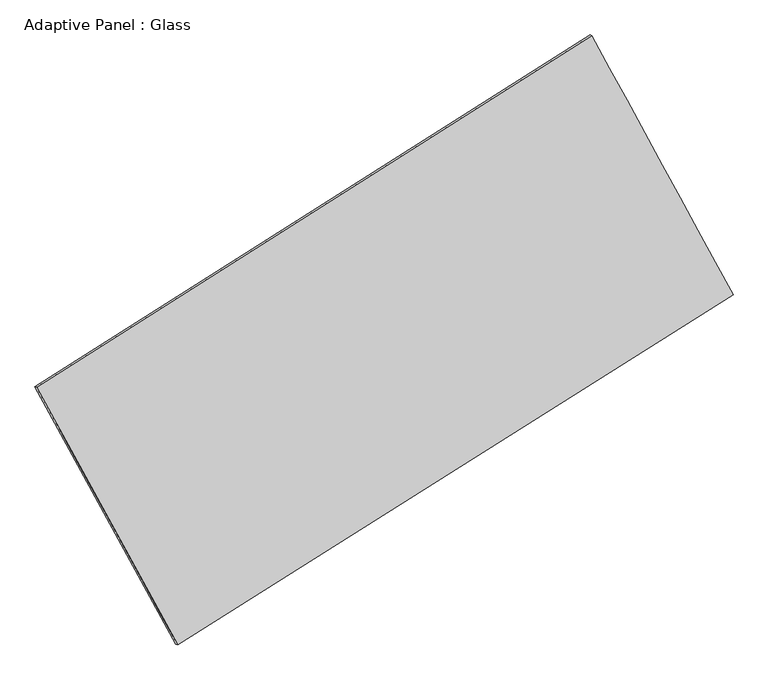
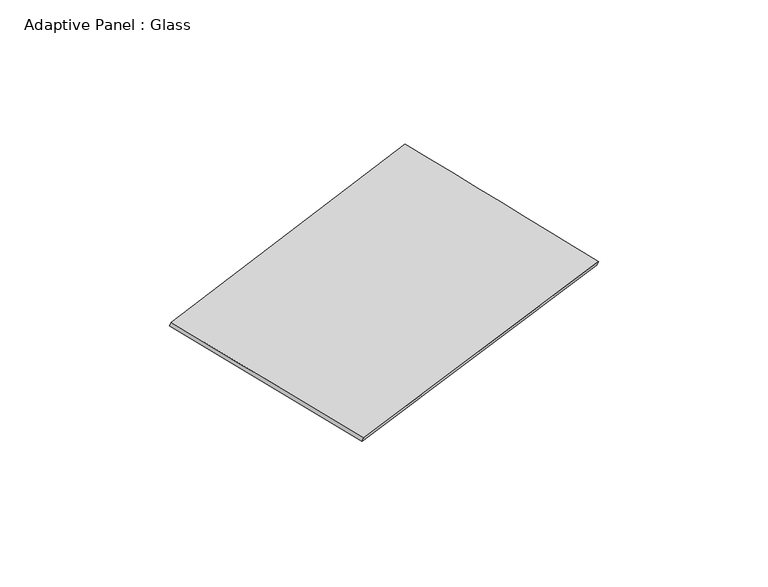
"""IFC4 building model written with IfcOpenShell, lengths in millimetres: plate geometry, Adaptive Panel : Glass."""

from ifc_helpers import new_model, si_unit, frame, origin, place, context, project, spatial, source, transform, mapped, element, save
from ifc_brep_helpers import plane_surface, spline_surface, advanced_brep


def adaptive_panel_glass_801f0319(model_context):
    return source(origin(), model_context, "Body", "AdvancedBrep", [
        advanced_brep(
        [(1170.9160329, 2584.4610335, 672.9755011), (-3715.5013025, -510.4865798, 1760.6341541), (-3700.8349467, -516.8666732, 1808.0070621), (1185.5823887, 2578.0809401, 720.3484091), (-2474.2769825, -2777.3501198, 1079.4158346), (-2459.6106267, -2783.7302133, 1126.7887426), (2415.571674, 303.1270932, -27.9029696), (2430.2380299, 296.7469997, 19.4699385)],
        [
            (0, 1),
            (1, 2),
            (2, 3),
            (3, 0),
            (1, 4),
            (4, 5),
            (5, 2),
            (4, 6),
            (6, 7),
            (7, 5),
            (6, 0),
            (3, 7),
        ],
        [
            plane_surface(frame((-1272.2926348, 1036.9872269, 1216.8048276), z_axis=(-0.47465161209723666, 0.8408366397328556, 0.2601914533881824), x_axis=(-0.8302507653644807, -0.5258622930344369, 0.18480399177576817))),
            plane_surface(frame((-3094.8891425, -1643.9183498, 1420.0249943), z_axis=(-0.8361157032771112, -0.514771571279112, 0.1895277292014452), x_axis=(0.464407055741461, -0.8481524293950975, -0.2548794677661228))),
            plane_surface(frame((-29.3526543, -1237.1115133, 525.7564325), z_axis=(0.4719821513550677, -0.842522871259026, -0.25959210351566675), x_axis=(0.8309856729583585, 0.5234993165806796, -0.18817884279988953))),
            plane_surface(frame((1793.2438534, 1443.7940634, 322.5362658), z_axis=(0.8362627036903615, 0.514502616477543, -0.1896094619322811), x_axis=(-0.462416719480464, 0.8475653199383553, 0.2603916396175569))),
            spline_surface(1, 1, [[(-3700.8349467, -516.8666732, 1808.0070621), (1185.5823887, 2578.0809401, 720.3484091)], [(-2459.6106267, -2783.7302133, 1126.7887426), (2430.2380299, 296.7469997, 19.4699385)]], [2, 2], [2, 2], [0.0, 1.0], [0.0, 1.0]),
            spline_surface(1, 1, [[(2415.571674, 303.1270932, -27.9029696), (1170.9160329, 2584.4610335, 672.9755011)], [(-2474.2769825, -2777.3501198, 1079.4158346), (-3715.5013025, -510.4865798, 1760.6341541)]], [2, 2], [2, 2], [0.0, 1.0], [0.0, 1.0]),
        ],
        [
            (0, [[1, 2, 3, 4]]),
            (1, [[5, 6, 7, -2]]),
            (2, [[8, 9, 10, -6]]),
            (3, [[11, -4, 12, -9]]),
            (4, [[-3, -7, -10, -12]]),
            (5, [[-11, -8, -5, -1]]),
        ],
    ),
    ])


if __name__ == "__main__":
    model = new_model("IFC4")
    model_context = context("Model", 3, world=origin())
    ifc_project = project(units=[si_unit("LENGTHUNIT", "METRE", prefix="MILLI")], contexts=[model_context])
    site = spatial("IfcSite", under=ifc_project)
    building = spatial("IfcBuilding", under=site)
    placement = place(None, origin())
    adaptive_panel_glass_shape = adaptive_panel_glass_801f0319(model_context)
    element("IfcPlate", 1, ObjectType="Adaptive Panel : Glass", at=placement, inside=building, context=model_context, shape_type="MappedRepresentation", body=[
        mapped(adaptive_panel_glass_shape, transform((0.0, 0.0, 0.0), x_axis=(1.0, 0.0, 0.0), y_axis=(0.0, 1.0, 0.0), z_axis=(0.0, 0.0, 1.0))),
    ])
    save(model, "model.ifc")
